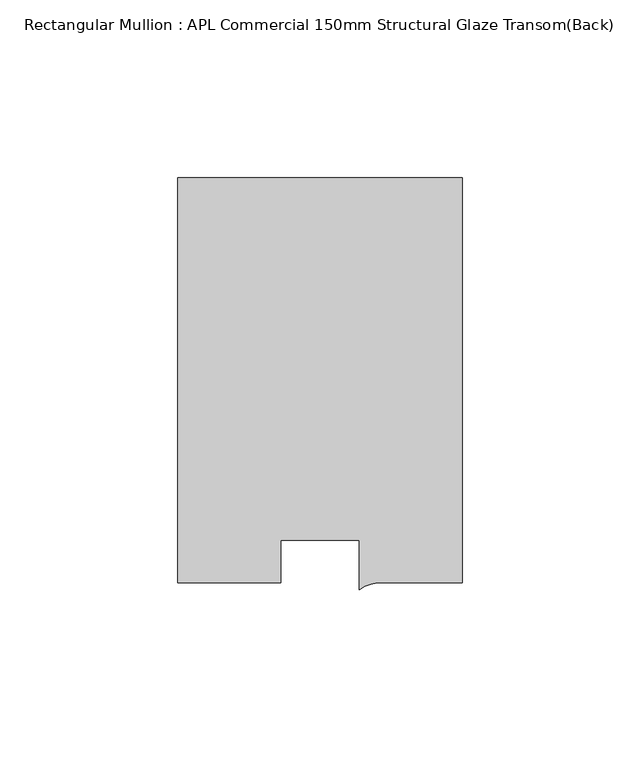
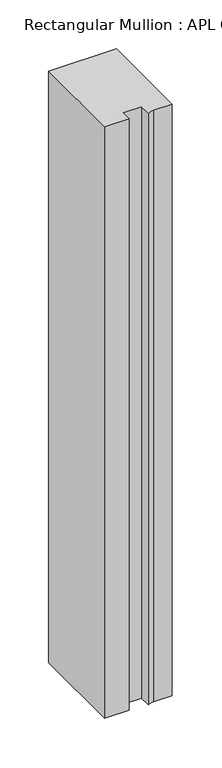
"""IFC4 building model written with IfcOpenShell, lengths in millimetres: member geometry, Rectangular Mullion : APL Commercial 150mm Structural Glaze Transom(Back)."""

from ifc_helpers import new_model, si_unit, point, frame, frame_2d, origin, place, context, project, spatial, polyline, circle_curve, trimmed, segment, composite_curve, outline, extrude, source, transform, mapped, element, save


def rectangular_mullion_apl_commercial_150mm_structural_glaze_31ab1836(model_context):
    return source(origin(), model_context, "Body", "SweptSolid", [
        extrude(outline(composite_curve([segment(polyline([(40.0, 128.9999975), (40.0, 15.0000829), (17.9999542, 15.0000829)]), True, "CONTINUOUS"), segment(trimmed(circle_curve(frame_2d((17.1097719, 4.581653)), 10.4563907), [point((17.9999542, 15.0000829))], [point((11.0000151, 13.0673455))], True, "CARTESIAN"), True, "CONTINUOUS"), segment(polyline([(11.0000151, 13.0673455), (11.0000151, 27.0), (-11.0000151, 27.0), (-11.0000151, 15.0000829), (-40.0, 15.0000829), (-40.0, 128.9999975), (40.0, 128.9999975)]), True, "CONTINUOUS")], self_intersect=False)), frame((0.0, 0.0, -738.1421998), z_axis=(0.0, 0.0, 1.0), x_axis=(1.0, 0.0, 0.0)), (0.0, 0.0, 1.0), 738.1421998),
    ])


if __name__ == "__main__":
    model = new_model("IFC4")
    model_context = context("Model", 3, world=origin())
    ifc_project = project(units=[si_unit("LENGTHUNIT", "METRE", prefix="MILLI")], contexts=[model_context])
    site = spatial("IfcSite", under=ifc_project)
    building = spatial("IfcBuilding", under=site)
    placement = place(None, origin())
    rectangular_mullion_apl_commercial_150mm_structural_glaze_shape = rectangular_mullion_apl_commercial_150mm_structural_glaze_31ab1836(model_context)
    element("IfcMember", 1, ObjectType="Rectangular Mullion : APL Commercial 150mm Structural Glaze Transom(Back)", at=placement, inside=building, context=model_context, shape_type="MappedRepresentation", body=[
        mapped(rectangular_mullion_apl_commercial_150mm_structural_glaze_shape, transform((0.0, 0.0, 0.0), x_axis=(1.0, 0.0, 0.0), y_axis=(0.0, 1.0, 0.0), z_axis=(0.0, 0.0, 1.0))),
    ])
    save(model, "model.ifc")
